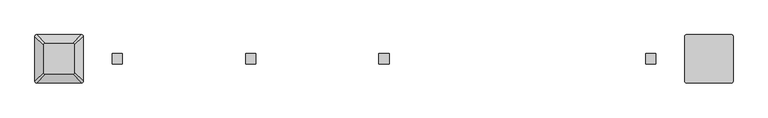
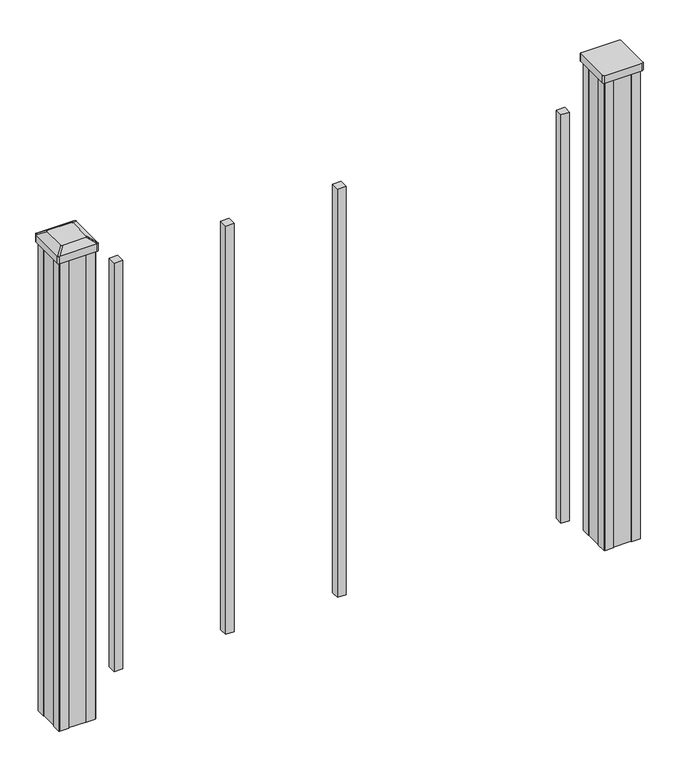
"""IFC4 building model written with IfcOpenShell, lengths in millimetres: proxy geometry."""

from ifc_helpers import new_model, si_unit, point, frame, frame_2d, origin, place, context, project, spatial, polyline, circle_curve, trimmed, segment, composite_curve, outline, extrude, source, transform, mapped, element, save
from ifc_brep_helpers import plane_surface, extruded_surface, advanced_brep


def specialty_equipment_a09fb03f(model_context):
    return source(origin(), model_context, "Body", "SolidModel", [
        extrude(outline(composite_curve([segment(polyline([(567.53125, 45.24375), (651.66875, 45.24375)]), True, "CONTINUOUS"), segment(trimmed(circle_curve(frame_2d((651.66875, 42.06875)), 3.175), [point((651.66875, 45.24375))], [point((654.84375, 42.06875))], False, "CARTESIAN"), True, "CONTINUOUS"), segment(polyline([(654.84375, 42.06875), (654.84375, -42.06875)]), True, "CONTINUOUS"), segment(trimmed(circle_curve(frame_2d((651.66875, -42.06875)), 3.175), [point((654.84375, -42.06875))], [point((651.66875, -45.24375))], False, "CARTESIAN"), True, "CONTINUOUS"), segment(polyline([(651.66875, -45.24375), (567.53125, -45.24375)]), True, "CONTINUOUS"), segment(trimmed(circle_curve(frame_2d((567.53125, -42.06875)), 3.175), [point((567.53125, -45.24375))], [point((564.35625, -42.06875))], False, "CARTESIAN"), True, "CONTINUOUS"), segment(polyline([(564.35625, -42.06875), (564.35625, 42.06875)]), True, "CONTINUOUS"), segment(trimmed(circle_curve(frame_2d((567.53125, 42.06875)), 3.175), [point((564.35625, 42.06875))], [point((567.53125, 45.24375))], False, "CARTESIAN"), True, "CONTINUOUS")], self_intersect=False)), frame((0.0, 0.0, 1136.65), z_axis=(0.0, 0.0, 1.0), x_axis=(1.0, 0.0, 0.0)), (0.0, 0.0, 1.0), 17.272),
        extrude(outline(polyline([(569.9125, 41.275), (589.534, 41.275), (590.296, 39.6875), (628.904, 39.6875), (629.666, 41.275), (649.2875, 41.275), (650.875, 39.6875), (650.875, 20.066), (649.2875, 19.304), (649.2875, -19.304), (650.875, -20.066), (650.875, -39.6875), (649.2875, -41.275), (629.666, -41.275), (628.904, -39.6875), (590.296, -39.6875), (589.534, -41.275), (569.9125, -41.275), (568.325, -39.6875), (568.325, -20.066), (569.9125, -19.304), (569.9125, 19.304), (568.325, 20.066), (568.325, 39.6875), (569.9125, 41.275)])), frame((0.0, 0.0, 28.575), z_axis=(0.0, 0.0, 1.0), x_axis=(1.0, 0.0, 0.0)), (0.0, 0.0, 1.0), 1108.075),
        advanced_brep(
        [(-635.396875, 28.971875, 1165.225), (-638.571875, 25.796875, 1165.225), (-638.571875, -25.796875, 1165.225), (-635.396875, -28.971875, 1165.225), (-583.803125, -28.971875, 1165.225), (-580.628125, -25.796875, 1165.225), (-580.628125, 25.796875, 1165.225), (-583.803125, 28.971875, 1165.225), (-651.66875, 45.24375, 1153.922), (-567.53125, 45.24375, 1153.922), (-564.35625, 42.06875, 1153.922), (-564.35625, -42.06875, 1153.922), (-567.53125, -45.24375, 1153.922), (-651.66875, -45.24375, 1153.922), (-654.84375, -42.06875, 1153.922), (-654.84375, 42.06875, 1153.922)],
        [
            (0, 1, circle_curve(frame((-635.396875, 25.796875, 1165.225), z_axis=(0.0, 0.0, 1.0), x_axis=(0.0, -1.0, 0.0)), 3.175)),
            (1, 2),
            (2, 3, circle_curve(frame((-635.396875, -25.796875, 1165.225), z_axis=(0.0, 0.0, 1.0), x_axis=(0.0, -1.0, 0.0)), 3.175)),
            (3, 4),
            (4, 5, circle_curve(frame((-583.803125, -25.796875, 1165.225), z_axis=(0.0, 0.0, 1.0), x_axis=(0.0, -1.0, 0.0)), 3.175)),
            (5, 6),
            (6, 7, circle_curve(frame((-583.803125, 25.796875, 1165.225), z_axis=(0.0, 0.0, 1.0), x_axis=(0.0, -1.0, 0.0)), 3.175)),
            (7, 0),
            (8, 9),
            (9, 10, circle_curve(frame((-567.53125, 42.06875, 1153.922), z_axis=(0.0, 0.0, -1.0), x_axis=(0.0, -1.0, 0.0)), 3.175)),
            (10, 11),
            (11, 12, circle_curve(frame((-567.53125, -42.06875, 1153.922), z_axis=(0.0, 0.0, -1.0), x_axis=(0.0, -1.0, 0.0)), 3.175)),
            (12, 13),
            (13, 14, circle_curve(frame((-651.66875, -42.06875, 1153.922), z_axis=(0.0, 0.0, -1.0), x_axis=(0.0, -1.0, 0.0)), 3.175)),
            (14, 15),
            (15, 8, circle_curve(frame((-651.66875, 42.06875, 1153.922), z_axis=(0.0, 0.0, -1.0), x_axis=(0.0, -1.0, 0.0)), 3.175)),
            (15, 1),
            (0, 8),
            (14, 2),
            (13, 3),
            (12, 4),
            (11, 5),
            (10, 6),
            (9, 7),
        ],
        [
            plane_surface(frame((-609.6, 0.0, 1165.225), z_axis=(0.0, 0.0, 1.0), x_axis=(-1.0, 0.0, 0.0))),
            plane_surface(frame((-609.6, 0.0, 1153.922), z_axis=(0.0, 0.0, -1.0), x_axis=(-1.0, 0.0, 0.0))),
            extruded_surface(trimmed(circle_curve(frame((-651.66875, 42.06875, 1153.922), z_axis=(0.0, 0.0, 1.0), x_axis=(0.0, -1.0, 0.0)), 3.175), [point((-651.66875, 45.24375, 1153.922))], [point((-654.84375, 42.06875, 1153.922))], True, "CARTESIAN"), (16.271875000000023, -16.271875, 11.302999999999884), 25.637972638866128),
            plane_surface(frame((-654.84375, 0.0, 1153.922), z_axis=(-0.5705009161540777, 0.0, 0.8212969649690409), x_axis=(0.0, -1.0, 0.0))),
            extruded_surface(trimmed(circle_curve(frame((-651.66875, -42.06875, 1153.922), z_axis=(0.0, 0.0, 1.0), x_axis=(0.0, -1.0, 0.0)), 3.175), [point((-654.84375, -42.06875, 1153.922))], [point((-651.66875, -45.24375, 1153.922))], True, "CARTESIAN"), (16.271875000000023, 16.271875, 11.302999999999884), 25.637972638866128),
            plane_surface(frame((-609.6, -45.24375, 1153.922), z_axis=(0.0, -0.5705009161540291, 0.8212969649690747), x_axis=(1.0, 0.0, 0.0))),
            extruded_surface(trimmed(circle_curve(frame((-567.53125, -42.06875, 1153.922), z_axis=(0.0, 0.0, 1.0), x_axis=(0.0, -1.0, 0.0)), 3.175), [point((-567.53125, -45.24375, 1153.922))], [point((-564.35625, -42.06875, 1153.922))], True, "CARTESIAN"), (-16.271875000000023, 16.271875, 11.302999999999884), 25.637972638866128),
            plane_surface(frame((-564.35625, 0.0, 1153.922), z_axis=(0.5705009161540143, 0.0, 0.821296964969085), x_axis=(0.0, 1.0, 0.0))),
            extruded_surface(trimmed(circle_curve(frame((-567.53125, 42.06875, 1153.922), z_axis=(0.0, 0.0, 1.0), x_axis=(0.0, -1.0, 0.0)), 3.175), [point((-564.35625, 42.06875, 1153.922))], [point((-567.53125, 45.24375, 1153.922))], True, "CARTESIAN"), (-16.271875000000023, -16.271875, 11.302999999999884), 25.637972638866128),
            plane_surface(frame((-609.6, 45.24375, 1153.922), z_axis=(0.0, 0.570500916154034, 0.8212969649690713), x_axis=(-1.0, 0.0, 0.0))),
        ],
        [
            (0, [[1, 2, 3, 4, 5, 6, 7, 8]]),
            (1, [[9, 10, 11, 12, 13, 14, 15, 16]]),
            (2, [[-16, 17, -1, 18]]),
            (3, [[-15, 19, -2, -17]]),
            (4, [[-14, 20, -3, -19]]),
            (5, [[-13, 21, -4, -20]]),
            (6, [[-12, 22, -5, -21]]),
            (7, [[-11, 23, -6, -22]]),
            (8, [[-10, 24, -7, -23]]),
            (9, [[-9, -18, -8, -24]]),
        ],
    ),
        extrude(outline(composite_curve([segment(polyline([(-651.66875, 45.24375), (-567.53125, 45.24375)]), True, "CONTINUOUS"), segment(trimmed(circle_curve(frame_2d((-567.53125, 42.06875)), 3.175), [point((-567.53125, 45.24375))], [point((-564.35625, 42.06875))], False, "CARTESIAN"), True, "CONTINUOUS"), segment(polyline([(-564.35625, 42.06875), (-564.35625, -42.06875)]), True, "CONTINUOUS"), segment(trimmed(circle_curve(frame_2d((-567.53125, -42.06875)), 3.175), [point((-564.35625, -42.06875))], [point((-567.53125, -45.24375))], False, "CARTESIAN"), True, "CONTINUOUS"), segment(polyline([(-567.53125, -45.24375), (-651.66875, -45.24375)]), True, "CONTINUOUS"), segment(trimmed(circle_curve(frame_2d((-651.66875, -42.06875)), 3.175), [point((-651.66875, -45.24375))], [point((-654.84375, -42.06875))], False, "CARTESIAN"), True, "CONTINUOUS"), segment(polyline([(-654.84375, -42.06875), (-654.84375, 42.06875)]), True, "CONTINUOUS"), segment(trimmed(circle_curve(frame_2d((-651.66875, 42.06875)), 3.175), [point((-654.84375, 42.06875))], [point((-651.66875, 45.24375))], False, "CARTESIAN"), True, "CONTINUOUS")], self_intersect=False)), frame((0.0, 0.0, 1136.65), z_axis=(0.0, 0.0, 1.0), x_axis=(1.0, 0.0, 0.0)), (0.0, 0.0, 1.0), 17.272),
        extrude(outline(polyline([(-649.2875, 41.275), (-629.666, 41.275), (-628.904, 39.6875), (-590.296, 39.6875), (-589.534, 41.275), (-569.9125, 41.275), (-568.325, 39.6875), (-568.325, 20.066), (-569.9125, 19.304), (-569.9125, -19.304), (-568.325, -20.066), (-568.325, -39.6875), (-569.9125, -41.275), (-589.534, -41.275), (-590.296, -39.6875), (-628.904, -39.6875), (-629.666, -41.275), (-649.2875, -41.275), (-650.875, -39.6875), (-650.875, -20.066), (-649.2875, -19.304), (-649.2875, 19.304), (-650.875, 20.066), (-650.875, 39.6875), (-649.2875, 41.275)])), frame((0.0, 0.0, 28.575), z_axis=(0.0, 0.0, 1.0), x_axis=(1.0, 0.0, 0.0)), (0.0, 0.0, 1.0), 1108.075),
        extrude(outline(polyline([(9.525, 9.525), (9.525, -9.525), (-9.525, -9.525), (-9.525, 9.525), (9.525, 9.525)])), frame((0.0, 0.0, 101.6), z_axis=(0.0, 0.0, 1.0), x_axis=(1.0, 0.0, 0.0)), (0.0, 0.0, 1.0), 965.2),
        extrude(outline(polyline([(-240.50625, 9.525), (-240.50625, -9.525), (-259.55625, -9.525), (-259.55625, 9.525), (-240.50625, 9.525)])), frame((0.0, 0.0, 101.6), z_axis=(0.0, 0.0, 1.0), x_axis=(1.0, 0.0, 0.0)), (0.0, 0.0, 1.0), 965.2),
        extrude(outline(polyline([(509.5875, 9.525), (509.5875, -9.525), (490.5375, -9.525), (490.5375, 9.525), (509.5875, 9.525)])), frame((0.0, 0.0, 101.6), z_axis=(0.0, 0.0, 1.0), x_axis=(1.0, 0.0, 0.0)), (0.0, 0.0, 1.0), 965.2),
        extrude(outline(polyline([(-490.5375, 9.525), (-490.5375, -9.525), (-509.5875, -9.525), (-509.5875, 9.525), (-490.5375, 9.525)])), frame((0.0, 0.0, 101.6), z_axis=(0.0, 0.0, 1.0), x_axis=(1.0, 0.0, 0.0)), (0.0, 0.0, 1.0), 965.2),
    ])


if __name__ == "__main__":
    model = new_model("IFC4")
    model_context = context("Model", 3, world=origin())
    ifc_project = project(units=[si_unit("LENGTHUNIT", "METRE", prefix="MILLI")], contexts=[model_context])
    site = spatial("IfcSite", under=ifc_project)
    building = spatial("IfcBuilding", under=site)
    placement = place(None, origin())
    specialty_equipment_shape = specialty_equipment_a09fb03f(model_context)
    element("IfcBuildingElementProxy", 1, Name="Specialty Equipment", at=placement, inside=building, context=model_context, shape_type="MappedRepresentation", body=[
        mapped(specialty_equipment_shape, transform((0.0, 0.0, 0.0), x_axis=(1.0, 0.0, 0.0), y_axis=(0.0, 1.0, 0.0), z_axis=(0.0, 0.0, 1.0))),
    ])
    save(model, "model.ifc")
